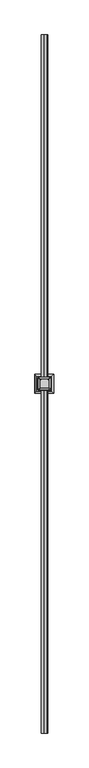
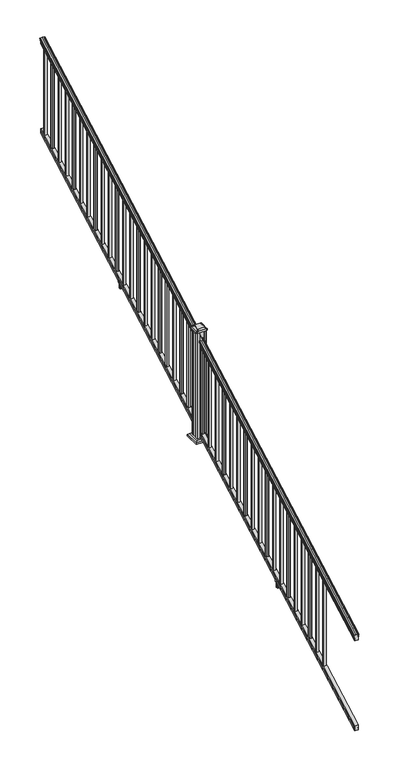
"""IFC4 building model written with IfcOpenShell, lengths in millimetres: railing geometry."""

from ifc_helpers import new_model, si_unit, point, frame, frame_2d, origin, place, context, project, spatial, polyline, circle_curve, ellipse_curve, trimmed, segment, composite_curve, outline, extrude, faceted_brep, source, transform, mapped, element, save
from ifc_brep_helpers import plane_surface, cylinder_surface, revolved_surface, extruded_surface, advanced_brep


def railing_59e865df(model_context):
    return source(origin(), model_context, "Body", "SolidModel", [
        advanced_brep(
        [(11110.7614371, 1778.9805319, 1111.1933), (11113.3352659, 1778.9805319, 1111.1933), (11113.3352659, 1778.9805319, 1099.0017677), (11112.3192659, 1778.9805319, 1097.8395054), (11112.3192659, 1778.9805319, 1083.7333333), (11144.0692659, 1778.9805319, 1083.7333333), (11144.0692659, 1778.9805319, 1098.0200397), (11143.0532659, 1778.9805319, 1099.182302), (11143.0532659, 1778.9805319, 1111.1933), (11145.6270946, 1778.9805319, 1111.1933), (11145.6270946, 1778.9805319, 1113.3531886), (11146.7572809, 1778.9805319, 1115.140347), (11146.7572809, 1778.9805319, 1123.3974153), (11146.1080245, 1778.9805319, 1126.1811654), (11148.6080245, 1778.9805319, 1131.1346527), (11150.017367, 1778.9805319, 1133.0560334), (11150.419266, 1778.9805319, 1134.3198045), (11150.4192659, 1778.9805319, 1135.8530343), (11148.8658186, 1778.9805319, 1137.6301141), (11128.1942659, 1778.9805319, 1137.6301141), (11107.5227131, 1778.9805319, 1137.6301141), (11105.9692659, 1778.9805319, 1135.8530343), (11105.9692659, 1778.9805319, 1134.3198045), (11106.3711648, 1778.9805319, 1133.0560334), (11107.7805072, 1778.9805319, 1131.1346527), (11110.2805072, 1778.9805319, 1126.1811654), (11109.6312508, 1778.9805319, 1123.3974153), (11109.6312508, 1778.9805319, 1115.140347), (11110.7614371, 1778.9805319, 1113.3531886), (11110.7614371, 6655.7805319, 3820.5266334), (11110.7614371, 6655.7805319, 3822.6865219), (11109.6312508, 6655.7805319, 3824.4736803), (11109.6312508, 6655.7805319, 3832.7307486), (11110.2805072, 6655.7805319, 3835.5144987), (11107.7805072, 6655.7805319, 3840.4679861), (11106.3711648, 6655.7805319, 3842.3893668), (11105.9692658, 6655.7805319, 3843.6531378), (11105.9692659, 6655.7805319, 3845.1863676), (11107.5227131, 6655.7805319, 3846.9634474), (11128.1942659, 6655.7805319, 3846.9634474), (11148.8658186, 6655.7805319, 3846.9634474), (11150.4192659, 6655.7805319, 3845.1863676), (11150.4192659, 6655.7805319, 3843.6531378), (11150.017367, 6655.7805319, 3842.3893668), (11148.6080245, 6655.7805319, 3840.4679861), (11146.1080245, 6655.7805319, 3835.5144987), (11146.7572809, 6655.7805319, 3832.7307486), (11146.7572809, 6655.7805319, 3824.4736803), (11145.6270946, 6655.7805319, 3822.6865219), (11145.6270946, 6655.7805319, 3820.5266334), (11143.0532659, 6655.7805319, 3820.5266334), (11143.0532659, 6655.7805319, 3808.5156353), (11144.0692659, 6655.7805319, 3807.3533731), (11144.0692659, 6655.7805319, 3793.0666667), (11112.3192659, 6655.7805319, 3793.0666667), (11112.3192659, 6655.7805319, 3807.1728388), (11113.3352659, 6655.7805319, 3808.335101), (11113.3352659, 6655.7805319, 3820.5266334)],
        [
            (0, 1, ellipse_curve(frame((11112.0483515, 1778.9805319, 1111.1933), z_axis=(0.0, -1.0, 0.0), x_axis=(0.0, 0.0, -1.0)), 1.4721772, 1.2869144)),
            (1, 2),
            (2, 3),
            (3, 4),
            (4, 5),
            (5, 6),
            (6, 7),
            (7, 8),
            (8, 9, ellipse_curve(frame((11144.3401802, 1778.9805319, 1111.1933), z_axis=(0.0, -1.0, 0.0), x_axis=(0.0, 0.0, -1.0)), 1.4721772, 1.2869144)),
            (9, 10),
            (10, 11, ellipse_curve(frame((11139.3123413, 1778.9805319, 1119.9403628), z_axis=(0.0, -1.0, 0.0), x_axis=(0.0, 0.0, -1.0)), 9.7762168, 8.545951)),
            (11, 12, ellipse_curve(frame((11139.7494043, 1778.9805319, 1119.2688811), z_axis=(0.0, -1.0, 0.0), x_axis=(0.0, 0.0, -1.0)), 9.0173521, 7.882584)),
            (12, 13, ellipse_curve(frame((11150.2627284, 1778.9805319, 1125.9582895), z_axis=(0.0, 1.0, 0.0), x_axis=(0.0, 0.0, 1.0)), 4.7580334, 4.1592695)),
            (13, 14, ellipse_curve(frame((11151.550035, 1778.9805319, 1125.8892329), z_axis=(0.0, 1.0, 0.0), x_axis=(0.0, 0.0, 1.0)), 6.2322774, 5.4479907)),
            (14, 15, ellipse_curve(frame((11150.3168765, 1778.9805319, 1131.1314345), z_axis=(0.0, 1.0, 0.0), x_axis=(0.0, 0.0, 1.0)), 1.9548591, 1.7088543)),
            (15, 16, ellipse_curve(frame((11148.6999764, 1778.9805319, 1134.3198045), z_axis=(0.0, -1.0, 0.0), x_axis=(0.0, 0.0, -1.0)), 1.9667965, 1.7192895)),
            (16, 17),
            (17, 18, ellipse_curve(frame((11148.8658186, 1778.9805319, 1135.8530343), z_axis=(0.0, -1.0, 0.0), x_axis=(0.0, 0.0, -1.0)), 1.7770798, 1.5534472)),
            (18, 19),
            (19, 20),
            (20, 21, ellipse_curve(frame((11107.5227131, 1778.9805319, 1135.8530343), z_axis=(0.0, -1.0, 0.0), x_axis=(0.0, 0.0, -1.0)), 1.7770798, 1.5534472)),
            (21, 22),
            (22, 23, ellipse_curve(frame((11107.6885553, 1778.9805319, 1134.3198045), z_axis=(0.0, -1.0, 0.0), x_axis=(0.0, 0.0, -1.0)), 1.9667965, 1.7192895)),
            (23, 24, ellipse_curve(frame((11106.0716552, 1778.9805319, 1131.1314345), z_axis=(0.0, 1.0, 0.0), x_axis=(0.0, 0.0, 1.0)), 1.9548591, 1.7088543)),
            (24, 25, ellipse_curve(frame((11104.8384968, 1778.9805319, 1125.8892329), z_axis=(0.0, 1.0, 0.0), x_axis=(0.0, 0.0, 1.0)), 6.2322774, 5.4479907)),
            (25, 26, ellipse_curve(frame((11106.1258033, 1778.9805319, 1125.9582895), z_axis=(0.0, 1.0, 0.0), x_axis=(0.0, 0.0, 1.0)), 4.7580334, 4.1592695)),
            (26, 27, ellipse_curve(frame((11116.6391275, 1778.9805319, 1119.2688811), z_axis=(0.0, -1.0, 0.0), x_axis=(0.0, 0.0, -1.0)), 9.0173521, 7.882584)),
            (27, 28, ellipse_curve(frame((11117.0761904, 1778.9805319, 1119.9403628), z_axis=(0.0, -1.0, 0.0), x_axis=(0.0, 0.0, -1.0)), 9.7762168, 8.545951)),
            (28, 0),
            (29, 30),
            (30, 31, ellipse_curve(frame((11117.0761904, 6655.7805319, 3829.2736961), z_axis=(0.0, 1.0, 0.0), x_axis=(0.0, 0.0, -1.0)), 9.7762168, 8.545951)),
            (31, 32, ellipse_curve(frame((11116.6391275, 6655.7805319, 3828.6022145), z_axis=(0.0, 1.0, 0.0), x_axis=(0.0, 0.0, -1.0)), 9.0173521, 7.882584)),
            (32, 33, ellipse_curve(frame((11106.1258033, 6655.7805319, 3835.2916228), z_axis=(0.0, -1.0, 0.0), x_axis=(0.0, 0.0, 1.0)), 4.7580334, 4.1592695)),
            (33, 34, ellipse_curve(frame((11104.8384968, 6655.7805319, 3835.2225663), z_axis=(0.0, -1.0, 0.0), x_axis=(0.0, 0.0, 1.0)), 6.2322774, 5.4479907)),
            (34, 35, ellipse_curve(frame((11106.0716552, 6655.7805319, 3840.4647678), z_axis=(0.0, -1.0, 0.0), x_axis=(0.0, 0.0, 1.0)), 1.9548591, 1.7088543)),
            (35, 36, ellipse_curve(frame((11107.6885553, 6655.7805319, 3843.6531378), z_axis=(0.0, 1.0, 0.0), x_axis=(0.0, 0.0, -1.0)), 1.9667965, 1.7192895)),
            (36, 37),
            (37, 38, ellipse_curve(frame((11107.5227131, 6655.7805319, 3845.1863676), z_axis=(0.0, 1.0, 0.0), x_axis=(0.0, 0.0, -1.0)), 1.7770798, 1.5534472)),
            (38, 39),
            (39, 40),
            (40, 41, ellipse_curve(frame((11148.8658186, 6655.7805319, 3845.1863676), z_axis=(0.0, 1.0, 0.0), x_axis=(0.0, 0.0, -1.0)), 1.7770798, 1.5534472)),
            (41, 42),
            (42, 43, ellipse_curve(frame((11148.6999764, 6655.7805319, 3843.6531378), z_axis=(0.0, 1.0, 0.0), x_axis=(0.0, 0.0, -1.0)), 1.9667965, 1.7192895)),
            (43, 44, ellipse_curve(frame((11150.3168765, 6655.7805319, 3840.4647678), z_axis=(0.0, -1.0, 0.0), x_axis=(0.0, 0.0, 1.0)), 1.9548591, 1.7088543)),
            (44, 45, ellipse_curve(frame((11151.550035, 6655.7805319, 3835.2225663), z_axis=(0.0, -1.0, 0.0), x_axis=(0.0, 0.0, 1.0)), 6.2322774, 5.4479907)),
            (45, 46, ellipse_curve(frame((11150.2627284, 6655.7805319, 3835.2916228), z_axis=(0.0, -1.0, 0.0), x_axis=(0.0, 0.0, 1.0)), 4.7580334, 4.1592695)),
            (46, 47, ellipse_curve(frame((11139.7494043, 6655.7805319, 3828.6022145), z_axis=(0.0, 1.0, 0.0), x_axis=(0.0, 0.0, -1.0)), 9.0173521, 7.882584)),
            (47, 48, ellipse_curve(frame((11139.3123413, 6655.7805319, 3829.2736961), z_axis=(0.0, 1.0, 0.0), x_axis=(0.0, 0.0, -1.0)), 9.7762168, 8.545951)),
            (48, 49),
            (49, 50, ellipse_curve(frame((11144.3401802, 6655.7805319, 3820.5266334), z_axis=(0.0, 1.0, 0.0), x_axis=(0.0, 0.0, -1.0)), 1.4721772, 1.2869144)),
            (50, 51),
            (51, 52),
            (52, 53),
            (53, 54),
            (54, 55),
            (55, 56),
            (56, 57),
            (57, 29, ellipse_curve(frame((11112.0483515, 6655.7805319, 3820.5266334), z_axis=(0.0, 1.0, 0.0), x_axis=(0.0, 0.0, -1.0)), 1.4721772, 1.2869144)),
            (0, 29),
            (57, 1),
            (56, 2),
            (55, 3),
            (54, 4),
            (53, 5),
            (52, 6),
            (51, 7),
            (50, 8),
            (49, 9),
            (48, 10),
            (47, 11),
            (46, 12),
            (45, 13),
            (44, 14),
            (43, 15),
            (42, 16),
            (41, 17),
            (40, 18),
            (39, 19),
            (38, 20),
            (37, 21),
            (36, 22),
            (35, 23),
            (34, 24),
            (33, 25),
            (32, 26),
            (31, 27),
            (30, 28),
        ],
        [
            plane_surface(frame((11128.1942659, 1778.9805319, 1083.7333333), z_axis=(0.0, -1.0, 0.0), x_axis=(0.0, 0.0, 1.0))),
            plane_surface(frame((11128.1942659, 6655.7805319, 3793.0666667), z_axis=(0.0, 1.0, 0.0), x_axis=(0.0, 0.0, 1.0))),
            cylinder_surface(frame((11112.0483515, 1767.3229989, 1104.7168928), z_axis=(0.0, -0.87415727612157, -0.4856429311785741), x_axis=(1.0, 0.0, 0.0)), 1.2869144),
            plane_surface(frame((11113.3352659, 1778.9805319, 1111.1933), z_axis=(-1.0, 0.0, 0.0), x_axis=(0.0, 0.87415727612157, 0.4856429311785741))),
            plane_surface(frame((11113.3352659, 1778.9805319, 1099.0017677), z_axis=(-0.7071067811865401, -0.3434014098716843, 0.6181225377691306), x_axis=(0.0, 0.87415727612157, 0.4856429311785741))),
            plane_surface(frame((11112.3192659, 1778.9805319, 1097.8395054), z_axis=(-1.0, 0.0, 0.0), x_axis=(0.0, 0.87415727612157, 0.4856429311785741))),
            plane_surface(frame((11112.3192659, 1778.9805319, 1083.7333333), z_axis=(0.0, 0.4856429311785741, -0.87415727612157), x_axis=(0.0, 0.87415727612157, 0.4856429311785741))),
            plane_surface(frame((11144.0692659, 1778.9805319, 1083.7333333), z_axis=(1.0, 0.0, 0.0), x_axis=(0.0, 0.87415727612157, 0.4856429311785741))),
            plane_surface(frame((11144.0692659, 1778.9805319, 1098.0200397), z_axis=(0.7071067811865427, -0.34340140987168505, 0.6181225377691273), x_axis=(0.0, 0.87415727612157, 0.4856429311785742))),
            plane_surface(frame((11143.0532659, 1778.9805319, 1099.182302), z_axis=(1.0000000000000002, 0.0, 0.0), x_axis=(0.0, 0.87415727612157, 0.4856429311785743))),
            cylinder_surface(frame((11144.3401802, 1767.3229989, 1104.7168928), z_axis=(0.0, -0.87415727612157, -0.4856429311785741), x_axis=(-1.0, 0.0, 0.0)), 1.2869144),
            plane_surface(frame((11145.6270946, 1778.9805319, 1111.1933), z_axis=(1.0, 0.0, 0.0), x_axis=(0.0, 0.87415727612157, 0.4856429311785741))),
            cylinder_surface(frame((11139.3123413, 1763.6096232, 1111.4009691), z_axis=(0.0, -0.87415727612157, -0.4856429311785741), x_axis=(-1.0, 0.0, 0.0)), 8.545951),
            cylinder_surface(frame((11139.7494043, 1763.8946861, 1110.8878557), z_axis=(0.0, -0.87415727612157, -0.4856429311785741), x_axis=(-1.0, 0.0, 0.0)), 7.882584),
            revolved_surface(polyline([(11146.1034589, 6657.80045174452, 3836.4138004798638), (11146.1034589, 1776.9606120792462, 1124.8361117773575)]), (11150.2627284, 1761.054843, 1115.9995734), (0.0, 0.87415727612157, 0.4856429311785741)),
            revolved_surface(polyline([(11146.1020443, 6658.42631004169, 3836.692443044958), (11146.1020443, 1776.3347537301895, 1124.4193562056596)]), (11151.550035, 1761.0841594, 1115.9468038), (0.0, 0.87415727612157, 0.4856429311785741)),
            revolved_surface(polyline([(11148.608022199998, 6656.610424923765, 3840.925819457222), (11148.608022199998, 1778.1506389094347, 1130.6703827830177)]), (11150.3168765, 1758.8586965, 1119.952637), (0.0, 0.87415727612157, 0.4856429311785741)),
            cylinder_surface(frame((11148.6999764, 1757.5051432, 1122.389033), z_axis=(0.0, -0.87415727612157, -0.4856429311785741), x_axis=(-1.0, 0.0, 0.0)), 1.7192895),
            plane_surface(frame((11150.4192659, 1778.9805319, 1134.3198045), z_axis=(1.0, 0.0, 0.0), x_axis=(0.0, 0.87415727612157, 0.4856429311785742))),
            cylinder_surface(frame((11148.8658186, 1756.8542438, 1123.560652), z_axis=(0.0, -0.87415727612157, -0.4856429311785741), x_axis=(-1.0, 0.0, 0.0)), 1.5534472),
            plane_surface(frame((11148.8658186, 1778.9805319, 1137.6301141), z_axis=(0.0, -0.4856429311785741, 0.87415727612157), x_axis=(0.0, 0.87415727612157, 0.4856429311785741))),
            plane_surface(frame((11128.1942659, 1778.9805319, 1137.6301141), z_axis=(0.0, -0.4856429311785741, 0.87415727612157), x_axis=(0.0, 0.87415727612157, 0.4856429311785741))),
            cylinder_surface(frame((11107.5227131, 1756.8542438, 1123.560652), z_axis=(0.0, -0.87415727612157, -0.4856429311785741), x_axis=(1.0, 0.0, 0.0)), 1.5534472),
            plane_surface(frame((11105.9692659, 1778.9805319, 1135.8530343), z_axis=(-1.0, 0.0, 0.0), x_axis=(0.0, 0.87415727612157, 0.4856429311785742))),
            cylinder_surface(frame((11107.6885553, 1757.5051432, 1122.389033), z_axis=(0.0, -0.87415727612157, -0.4856429311785741), x_axis=(1.0, 0.0, 0.0)), 1.7192895),
            revolved_surface(polyline([(11107.7805095, 6656.610424923765, 3840.925819457222), (11107.7805095, 1778.1506389094347, 1130.6703827830177)]), (11106.0716552, 1758.8586965, 1119.952637), (0.0, 0.87415727612157, 0.4856429311785741)),
            revolved_surface(polyline([(11110.2864875, 6658.42631004169, 3836.692443044958), (11110.2864875, 1776.3347537301895, 1124.4193562056596)]), (11104.8384968, 1761.0841594, 1115.9468038), (0.0, 0.87415727612157, 0.4856429311785741)),
            revolved_surface(polyline([(11110.2850728, 6657.80045174452, 3836.4138004798638), (11110.2850728, 1776.9606120792462, 1124.8361117773575)]), (11106.1258033, 1761.054843, 1115.9995734), (0.0, 0.87415727612157, 0.4856429311785741)),
            cylinder_surface(frame((11116.6391275, 1763.8946861, 1110.8878557), z_axis=(0.0, -0.87415727612157, -0.4856429311785741), x_axis=(1.0, 0.0, 0.0)), 7.882584),
            cylinder_surface(frame((11117.0761904, 1763.6096232, 1111.4009691), z_axis=(0.0, -0.87415727612157, -0.4856429311785741), x_axis=(1.0, 0.0, 0.0)), 8.545951),
            plane_surface(frame((11110.7614371, 1778.9805319, 1113.3531886), z_axis=(-1.0, 0.0, 0.0), x_axis=(0.0, 0.87415727612157, 0.4856429311785741))),
        ],
        [
            (0, [[1, 2, 3, 4, 5, 6, 7, 8, 9, 10, 11, 12, 13, 14, 15, 16, 17, 18, 19, 20, 21, 22, 23, 24, 25, 26, 27, 28, 29]]),
            (1, [[30, 31, 32, 33, 34, 35, 36, 37, 38, 39, 40, 41, 42, 43, 44, 45, 46, 47, 48, 49, 50, 51, 52, 53, 54, 55, 56, 57, 58]]),
            (2, [[-1, 59, -58, 60]]),
            (3, [[-2, -60, -57, 61]]),
            (4, [[-3, -61, -56, 62]]),
            (5, [[-4, -62, -55, 63]]),
            (6, [[-5, -63, -54, 64]]),
            (7, [[-6, -64, -53, 65]]),
            (8, [[-7, -65, -52, 66]]),
            (9, [[-8, -66, -51, 67]]),
            (10, [[-9, -67, -50, 68]]),
            (11, [[-10, -68, -49, 69]]),
            (12, [[-11, -69, -48, 70]]),
            (13, [[-12, -70, -47, 71]]),
            (14, [[-13, -71, -46, 72]]),
            (15, [[-14, -72, -45, 73]]),
            (16, [[-15, -73, -44, 74]]),
            (17, [[-16, -74, -43, 75]]),
            (18, [[-17, -75, -42, 76]]),
            (19, [[-18, -76, -41, 77]]),
            (20, [[-19, -77, -40, 78]]),
            (21, [[-20, -78, -39, 79]]),
            (22, [[-21, -79, -38, 80]]),
            (23, [[-22, -80, -37, 81]]),
            (24, [[-23, -81, -36, 82]]),
            (25, [[-24, -82, -35, 83]]),
            (26, [[-25, -83, -34, 84]]),
            (27, [[-26, -84, -33, 85]]),
            (28, [[-27, -85, -32, 86]]),
            (29, [[-28, -86, -31, 87]]),
            (30, [[-29, -87, -30, -59]]),
        ],
    ),
        faceted_brep([(11112.281779, 1778.9805319, 247.1948195), (11112.281779, 1778.9805319, 232.8333333), (11144.031779, 1778.9805319, 232.8333333), (11144.031779, 1778.9805319, 247.1757762), (11143.015779, 1778.9805319, 248.7181503), (11143.015779, 1778.9805319, 260.5143074), (11144.031779, 1778.9805319, 262.0566814), (11144.031779, 1778.9805319, 276.4134523), (11112.281779, 1778.9805319, 276.4134523), (11112.281779, 1778.9805319, 262.0757247), (11113.297779, 1778.9805319, 260.5333506), (11113.297779, 1778.9805319, 248.6824473), (11112.281779, 6655.7805319, 2956.5281528), (11113.297779, 6655.7805319, 2958.0157807), (11113.297779, 6655.7805319, 2969.8666839), (11112.281779, 6655.7805319, 2971.409058), (11112.281779, 6655.7805319, 2985.7467856), (11144.031779, 6655.7805319, 2985.7467856), (11144.031779, 6655.7805319, 2971.3900148), (11143.015779, 6655.7805319, 2969.8476407), (11143.015779, 6655.7805319, 2958.0514837), (11144.031779, 6655.7805319, 2956.5091096), (11144.031779, 6655.7805319, 2942.1666667), (11112.281779, 6655.7805319, 2942.1666667)], [[[0, 1, 2, 3, 4, 5, 6, 7, 8, 9, 10, 11]], [[12, 13, 14, 15, 16, 17, 18, 19, 20, 21, 22, 23]], [[1, 0, 12, 23]], [[2, 1, 23, 22]], [[3, 2, 22, 21]], [[4, 3, 21, 20]], [[5, 4, 20, 19]], [[6, 5, 19, 18]], [[7, 6, 18, 17]], [[8, 7, 17, 16]], [[9, 8, 16, 15]], [[10, 9, 15, 14]], [[11, 10, 14, 13]], [[0, 11, 13, 12]]]),
        extrude(outline(polyline([(11118.6692659, 6599.0115319), (11118.6692659, 6618.0615319), (11137.7192659, 6618.0615319), (11137.7192659, 6599.0115319), (11118.6692659, 6599.0115319)]), holes=[polyline([(11119.0661409, 6599.4084069), (11137.3223909, 6599.4084069), (11137.3223909, 6617.6646569), (11119.0661409, 6617.6646569), (11119.0661409, 6599.4084069)])]), frame((0.0, 0.0, 2954.0158781), z_axis=(0.0, 0.0, 1.0), x_axis=(1.0, 0.0, 0.0)), (0.0, 0.0, 1.0), 812.8041219),
        extrude(outline(polyline([(11118.6692659, 6487.7595319), (11118.6692659, 6506.8095319), (11137.7192659, 6506.8095319), (11137.7192659, 6487.7595319), (11118.6692659, 6487.7595319)]), holes=[polyline([(11119.0661409, 6488.1564069), (11137.3223909, 6488.1564069), (11137.3223909, 6506.4126569), (11119.0661409, 6506.4126569), (11119.0661409, 6488.1564069)])]), frame((0.0, 0.0, 2892.2092114), z_axis=(0.0, 0.0, 1.0), x_axis=(1.0, 0.0, 0.0)), (0.0, 0.0, 1.0), 812.8041219),
        extrude(outline(polyline([(11118.6692659, 6376.5075319), (11118.6692659, 6395.5575319), (11137.7192659, 6395.5575319), (11137.7192659, 6376.5075319), (11118.6692659, 6376.5075319)]), holes=[polyline([(11119.0661409, 6376.9044069), (11137.3223909, 6376.9044069), (11137.3223909, 6395.1606569), (11119.0661409, 6395.1606569), (11119.0661409, 6376.9044069)])]), frame((0.0, 0.0, 2830.4025447), z_axis=(0.0, 0.0, 1.0), x_axis=(1.0, 0.0, 0.0)), (0.0, 0.0, 1.0), 812.8041219),
        extrude(outline(polyline([(11118.6692659, 6265.2555319), (11118.6692659, 6284.3055319), (11137.7192659, 6284.3055319), (11137.7192659, 6265.2555319), (11118.6692659, 6265.2555319)]), holes=[polyline([(11119.0661409, 6265.6524069), (11137.3223909, 6265.6524069), (11137.3223909, 6283.9086569), (11119.0661409, 6283.9086569), (11119.0661409, 6265.6524069)])]), frame((0.0, 0.0, 2768.5958781), z_axis=(0.0, 0.0, 1.0), x_axis=(1.0, 0.0, 0.0)), (0.0, 0.0, 1.0), 812.8041219),
        extrude(outline(polyline([(11118.6692659, 6154.0035319), (11118.6692659, 6173.0535319), (11137.7192659, 6173.0535319), (11137.7192659, 6154.0035319), (11118.6692659, 6154.0035319)]), holes=[polyline([(11119.0661409, 6154.4004069), (11137.3223909, 6154.4004069), (11137.3223909, 6172.6566569), (11119.0661409, 6172.6566569), (11119.0661409, 6154.4004069)])]), frame((0.0, 0.0, 2706.7892114), z_axis=(0.0, 0.0, 1.0), x_axis=(1.0, 0.0, 0.0)), (0.0, 0.0, 1.0), 812.8041219),
        extrude(outline(polyline([(11118.6692659, 6042.7515319), (11118.6692659, 6061.8015319), (11137.7192659, 6061.8015319), (11137.7192659, 6042.7515319), (11118.6692659, 6042.7515319)]), holes=[polyline([(11119.0661409, 6043.1484069), (11137.3223909, 6043.1484069), (11137.3223909, 6061.4046569), (11119.0661409, 6061.4046569), (11119.0661409, 6043.1484069)])]), frame((0.0, 0.0, 2644.9825447), z_axis=(0.0, 0.0, 1.0), x_axis=(1.0, 0.0, 0.0)), (0.0, 0.0, 1.0), 812.8041219),
        extrude(outline(polyline([(11118.6692659, 5931.4995319), (11118.6692659, 5950.5495319), (11137.7192659, 5950.5495319), (11137.7192659, 5931.4995319), (11118.6692659, 5931.4995319)]), holes=[polyline([(11119.0661409, 5931.8964069), (11137.3223909, 5931.8964069), (11137.3223909, 5950.1526569), (11119.0661409, 5950.1526569), (11119.0661409, 5931.8964069)])]), frame((0.0, 0.0, 2583.1758781), z_axis=(0.0, 0.0, 1.0), x_axis=(1.0, 0.0, 0.0)), (0.0, 0.0, 1.0), 812.8041219),
        extrude(outline(polyline([(11118.6692659, 5820.2475319), (11118.6692659, 5839.2975319), (11137.7192659, 5839.2975319), (11137.7192659, 5820.2475319), (11118.6692659, 5820.2475319)]), holes=[polyline([(11119.0661409, 5820.6444069), (11137.3223909, 5820.6444069), (11137.3223909, 5838.9006569), (11119.0661409, 5838.9006569), (11119.0661409, 5820.6444069)])]), frame((0.0, 0.0, 2521.3692114), z_axis=(0.0, 0.0, 1.0), x_axis=(1.0, 0.0, 0.0)), (0.0, 0.0, 1.0), 812.8041219),
        extrude(outline(polyline([(11118.6692659, 5708.9955319), (11118.6692659, 5728.0455319), (11137.7192659, 5728.0455319), (11137.7192659, 5708.9955319), (11118.6692659, 5708.9955319)]), holes=[polyline([(11119.0661409, 5709.3924069), (11137.3223909, 5709.3924069), (11137.3223909, 5727.6486569), (11119.0661409, 5727.6486569), (11119.0661409, 5709.3924069)])]), frame((0.0, 0.0, 2459.5625447), z_axis=(0.0, 0.0, 1.0), x_axis=(1.0, 0.0, 0.0)), (0.0, 0.0, 1.0), 812.8041219),
        extrude(outline(polyline([(11118.6692659, 5597.7435319), (11118.6692659, 5616.7935319), (11137.7192659, 5616.7935319), (11137.7192659, 5597.7435319), (11118.6692659, 5597.7435319)]), holes=[polyline([(11119.0661409, 5598.1404069), (11137.3223909, 5598.1404069), (11137.3223909, 5616.3966569), (11119.0661409, 5616.3966569), (11119.0661409, 5598.1404069)])]), frame((0.0, 0.0, 2397.7558781), z_axis=(0.0, 0.0, 1.0), x_axis=(1.0, 0.0, 0.0)), (0.0, 0.0, 1.0), 812.8041219),
        extrude(outline(polyline([(11118.6692659, 5486.4915319), (11118.6692659, 5505.5415319), (11137.7192659, 5505.5415319), (11137.7192659, 5486.4915319), (11118.6692659, 5486.4915319)]), holes=[polyline([(11119.0661409, 5486.8884069), (11137.3223909, 5486.8884069), (11137.3223909, 5505.1446569), (11119.0661409, 5505.1446569), (11119.0661409, 5486.8884069)])]), frame((0.0, 0.0, 2335.9492114), z_axis=(0.0, 0.0, 1.0), x_axis=(1.0, 0.0, 0.0)), (0.0, 0.0, 1.0), 812.8041219),
        extrude(outline(polyline([(2290.0537313, 11146.3552647), (2290.0537313, 11144.3232651), (2289.0377286, 11143.3072653), (2278.6019414, 11143.3072653), (2277.5859407, 11144.3232651), (2265.5953344, 11144.3232651), (2264.8333352, 11143.561266), (2264.8333352, 11112.8272648), (2265.5953344, 11112.0652657), (2277.5859407, 11112.0652657), (2278.6019414, 11113.0812655), (2289.0377286, 11113.0812655), (2290.0537313, 11112.0652657), (2290.0537313, 11110.0332661), (2289.2917302, 11109.2712651), (2262.8013357, 11109.2712651), (2262.0393346, 11110.0332661), (2262.0393346, 11120.0662651), (2261.2773345, 11120.8282652), (2202.0953344, 11120.8282652), (2201.3333333, 11121.5902663), (2201.3333333, 11134.7982655), (2202.0953334, 11135.5602656), (2261.2773345, 11135.5602656), (2262.0393346, 11136.3222657), (2262.0393346, 11146.3552647), (2262.8013357, 11147.1172657), (2289.2917302, 11147.1172657), (2290.0537313, 11146.3552647)]), holes=[polyline([(2262.0393346, 11124.7652655), (2262.0393346, 11131.6232653), (2261.2773345, 11132.3852654), (2205.2703336, 11132.3852654), (2204.5083364, 11131.6232682), (2204.5083364, 11124.7652655), (2205.2703365, 11124.0032654), (2261.2773345, 11124.0032654), (2262.0393346, 11124.7652655)])]), frame((0.0, 5433.0245319, 0.0), z_axis=(0.0, 1.0, 0.0), x_axis=(0.0, 0.0, 1.0)), (0.0, 0.0, 1.0), 14.732),
        extrude(outline(polyline([(11118.6692659, 5375.2395319), (11118.6692659, 5394.2895319), (11137.7192659, 5394.2895319), (11137.7192659, 5375.2395319), (11118.6692659, 5375.2395319)]), holes=[polyline([(11119.0661409, 5375.6364069), (11137.3223909, 5375.6364069), (11137.3223909, 5393.8926569), (11119.0661409, 5393.8926569), (11119.0661409, 5375.6364069)])]), frame((0.0, 0.0, 2274.1425447), z_axis=(0.0, 0.0, 1.0), x_axis=(1.0, 0.0, 0.0)), (0.0, 0.0, 1.0), 812.8041219),
        extrude(outline(polyline([(11118.6692659, 5263.9875319), (11118.6692659, 5283.0375319), (11137.7192659, 5283.0375319), (11137.7192659, 5263.9875319), (11118.6692659, 5263.9875319)]), holes=[polyline([(11119.0661409, 5264.3844069), (11137.3223909, 5264.3844069), (11137.3223909, 5282.6406569), (11119.0661409, 5282.6406569), (11119.0661409, 5264.3844069)])]), frame((0.0, 0.0, 2212.3358781), z_axis=(0.0, 0.0, 1.0), x_axis=(1.0, 0.0, 0.0)), (0.0, 0.0, 1.0), 812.8041219),
        extrude(outline(polyline([(11118.6692659, 5152.7355319), (11118.6692659, 5171.7855319), (11137.7192659, 5171.7855319), (11137.7192659, 5152.7355319), (11118.6692659, 5152.7355319)]), holes=[polyline([(11119.0661409, 5153.1324069), (11137.3223909, 5153.1324069), (11137.3223909, 5171.3886569), (11119.0661409, 5171.3886569), (11119.0661409, 5153.1324069)])]), frame((0.0, 0.0, 2150.5292114), z_axis=(0.0, 0.0, 1.0), x_axis=(1.0, 0.0, 0.0)), (0.0, 0.0, 1.0), 812.8041219),
        extrude(outline(polyline([(11118.6692659, 5041.4835319), (11118.6692659, 5060.5335319), (11137.7192659, 5060.5335319), (11137.7192659, 5041.4835319), (11118.6692659, 5041.4835319)]), holes=[polyline([(11119.0661409, 5041.8804069), (11137.3223909, 5041.8804069), (11137.3223909, 5060.1366569), (11119.0661409, 5060.1366569), (11119.0661409, 5041.8804069)])]), frame((0.0, 0.0, 2088.7225447), z_axis=(0.0, 0.0, 1.0), x_axis=(1.0, 0.0, 0.0)), (0.0, 0.0, 1.0), 812.8041219),
        extrude(outline(polyline([(11118.6692659, 4930.2315319), (11118.6692659, 4949.2815319), (11137.7192659, 4949.2815319), (11137.7192659, 4930.2315319), (11118.6692659, 4930.2315319)]), holes=[polyline([(11119.0661409, 4930.6284069), (11137.3223909, 4930.6284069), (11137.3223909, 4948.8846569), (11119.0661409, 4948.8846569), (11119.0661409, 4930.6284069)])]), frame((0.0, 0.0, 2026.9158781), z_axis=(0.0, 0.0, 1.0), x_axis=(1.0, 0.0, 0.0)), (0.0, 0.0, 1.0), 812.8041219),
        extrude(outline(polyline([(11118.6692659, 4818.9795319), (11118.6692659, 4838.0295319), (11137.7192659, 4838.0295319), (11137.7192659, 4818.9795319), (11118.6692659, 4818.9795319)]), holes=[polyline([(11119.0661409, 4819.3764069), (11137.3223909, 4819.3764069), (11137.3223909, 4837.6326569), (11119.0661409, 4837.6326569), (11119.0661409, 4819.3764069)])]), frame((0.0, 0.0, 1965.1092114), z_axis=(0.0, 0.0, 1.0), x_axis=(1.0, 0.0, 0.0)), (0.0, 0.0, 1.0), 812.8041219),
        extrude(outline(polyline([(11118.6692659, 4707.7275319), (11118.6692659, 4726.7775319), (11137.7192659, 4726.7775319), (11137.7192659, 4707.7275319), (11118.6692659, 4707.7275319)]), holes=[polyline([(11119.0661409, 4708.1244069), (11137.3223909, 4708.1244069), (11137.3223909, 4726.3806569), (11119.0661409, 4726.3806569), (11119.0661409, 4708.1244069)])]), frame((0.0, 0.0, 1903.3025447), z_axis=(0.0, 0.0, 1.0), x_axis=(1.0, 0.0, 0.0)), (0.0, 0.0, 1.0), 812.8041219),
        extrude(outline(polyline([(11118.6692659, 4596.4755319), (11118.6692659, 4615.5255319), (11137.7192659, 4615.5255319), (11137.7192659, 4596.4755319), (11118.6692659, 4596.4755319)]), holes=[polyline([(11119.0661409, 4596.8724069), (11137.3223909, 4596.8724069), (11137.3223909, 4615.1286569), (11119.0661409, 4615.1286569), (11119.0661409, 4596.8724069)])]), frame((0.0, 0.0, 1841.4958781), z_axis=(0.0, 0.0, 1.0), x_axis=(1.0, 0.0, 0.0)), (0.0, 0.0, 1.0), 812.8041219),
        extrude(outline(polyline([(11118.6692659, 4485.2235319), (11118.6692659, 4504.2735319), (11137.7192659, 4504.2735319), (11137.7192659, 4485.2235319), (11118.6692659, 4485.2235319)]), holes=[polyline([(11119.0661409, 4485.6204069), (11137.3223909, 4485.6204069), (11137.3223909, 4503.8766569), (11119.0661409, 4503.8766569), (11119.0661409, 4485.6204069)])]), frame((0.0, 0.0, 1779.6892114), z_axis=(0.0, 0.0, 1.0), x_axis=(1.0, 0.0, 0.0)), (0.0, 0.0, 1.0), 812.8041219),
        extrude(outline(polyline([(11118.6692659, 4373.9715319), (11118.6692659, 4393.0215319), (11137.7192659, 4393.0215319), (11137.7192659, 4373.9715319), (11118.6692659, 4373.9715319)]), holes=[polyline([(11119.0661409, 4374.3684069), (11137.3223909, 4374.3684069), (11137.3223909, 4392.6246569), (11119.0661409, 4392.6246569), (11119.0661409, 4374.3684069)])]), frame((0.0, 0.0, 1717.8825447), z_axis=(0.0, 0.0, 1.0), x_axis=(1.0, 0.0, 0.0)), (0.0, 0.0, 1.0), 812.8041219),
        extrude(outline(polyline([(11118.6692659, 4262.7195319), (11118.6692659, 4281.7695319), (11137.7192659, 4281.7695319), (11137.7192659, 4262.7195319), (11118.6692659, 4262.7195319)]), holes=[polyline([(11119.0661409, 4263.1164069), (11137.3223909, 4263.1164069), (11137.3223909, 4281.3726569), (11119.0661409, 4281.3726569), (11119.0661409, 4263.1164069)])]), frame((0.0, 0.0, 1656.0758781), z_axis=(0.0, 0.0, 1.0), x_axis=(1.0, 0.0, 0.0)), (0.0, 0.0, 1.0), 812.8041219),
        faceted_brep([(11075.6083284, 4167.3345944, 1552.575), (11180.7802034, 4167.3345944, 1552.575), (11180.7802034, 4272.5064694, 1552.575), (11075.6083284, 4272.5064694, 1552.575), (11061.5688753, 4153.2951413, 1539.24), (11061.5688753, 4286.5459225, 1539.24), (11194.8196565, 4286.5459225, 1539.24), (11194.8196565, 4153.2951413, 1539.24)], [[[0, 1, 2, 3]], [[4, 5, 6, 7]], [[4, 7, 1, 0]], [[7, 6, 2, 1]], [[6, 5, 3, 2]], [[5, 4, 0, 3]]]),
        extrude(outline(polyline([(11061.5688753, 4153.2951413), (11061.5688753, 4286.5459225), (11194.8196565, 4286.5459225), (11194.8196565, 4153.2951413), (11061.5688753, 4153.2951413)])), frame((0.0, 0.0, 1524.0), z_axis=(0.0, 0.0, 1.0), x_axis=(1.0, 0.0, 0.0)), (0.0, 0.0, 1.0), 15.24),
        advanced_brep(
        [(11153.9911409, 4190.9486569, 2585.3503741), (11157.1661409, 4194.1236569, 2585.3503741), (11157.1661409, 4245.7174069, 2585.3503741), (11153.9911409, 4248.8924069, 2585.3503741), (11102.3973909, 4248.8924069, 2585.3503741), (11099.2223909, 4245.7174069, 2585.3503741), (11099.2223909, 4194.1236569, 2585.3503741), (11102.3973909, 4190.9486569, 2585.3503741), (11170.2630159, 4174.6767819, 2574.0473741), (11086.1255159, 4174.6767819, 2574.0473741), (11082.9505159, 4177.8517819, 2574.0473741), (11082.9505159, 4261.9892819, 2574.0473741), (11086.1255159, 4265.1642819, 2574.0473741), (11170.2630159, 4265.1642819, 2574.0473741), (11173.4380159, 4261.9892819, 2574.0473741), (11173.4380159, 4177.8517819, 2574.0473741)],
        [
            (0, 1, circle_curve(frame((11153.9911409, 4194.1236569, 2585.3503741), z_axis=(0.0, 0.0, 1.0), x_axis=(0.0, 1.0, 0.0)), 3.175)),
            (1, 2),
            (2, 3, circle_curve(frame((11153.9911409, 4245.7174069, 2585.3503741), z_axis=(0.0, 0.0, 1.0), x_axis=(0.0, 1.0, 0.0)), 3.175)),
            (3, 4),
            (4, 5, circle_curve(frame((11102.3973909, 4245.7174069, 2585.3503741), z_axis=(0.0, 0.0, 1.0), x_axis=(0.0, 1.0, 0.0)), 3.175)),
            (5, 6),
            (6, 7, circle_curve(frame((11102.3973909, 4194.1236569, 2585.3503741), z_axis=(0.0, 0.0, 1.0), x_axis=(0.0, 1.0, 0.0)), 3.175)),
            (7, 0),
            (8, 9),
            (9, 10, circle_curve(frame((11086.1255159, 4177.8517819, 2574.0473741), z_axis=(0.0, 0.0, -1.0), x_axis=(0.0, 1.0, 0.0)), 3.175)),
            (10, 11),
            (11, 12, circle_curve(frame((11086.1255159, 4261.9892819, 2574.0473741), z_axis=(0.0, 0.0, -1.0), x_axis=(0.0, 1.0, 0.0)), 3.175)),
            (12, 13),
            (13, 14, circle_curve(frame((11170.2630159, 4261.9892819, 2574.0473741), z_axis=(0.0, 0.0, -1.0), x_axis=(0.0, 1.0, 0.0)), 3.175)),
            (14, 15),
            (15, 8, circle_curve(frame((11170.2630159, 4177.8517819, 2574.0473741), z_axis=(0.0, 0.0, -1.0), x_axis=(0.0, 1.0, 0.0)), 3.175)),
            (15, 1),
            (0, 8),
            (14, 2),
            (13, 3),
            (12, 4),
            (11, 5),
            (10, 6),
            (9, 7),
        ],
        [
            plane_surface(frame((11128.1942659, 4219.9205319, 2585.3503741), z_axis=(0.0, 0.0, 1.0), x_axis=(1.0, 0.0, 0.0))),
            plane_surface(frame((11128.1942659, 4219.9205319, 2574.0473741), z_axis=(0.0, 0.0, -1.0), x_axis=(1.0, 0.0, 0.0))),
            extruded_surface(trimmed(circle_curve(frame((11170.2630159, 4177.8517819, 2574.0473741), z_axis=(0.0, 0.0, 1.0), x_axis=(0.0, 1.0, 0.0)), 3.175), [point((11170.2630159, 4174.6767819, 2574.0473741))], [point((11173.4380159, 4177.8517819, 2574.0473741))], True, "CARTESIAN"), (-16.271875000000364, 16.271875000000364, 11.302999999999884), 25.63797263886657),
            plane_surface(frame((11173.4380159, 4219.9205319, 2574.0473741), z_axis=(0.5705009161540779, 0.0, 0.8212969649690408), x_axis=(0.0, 1.0, 0.0))),
            extruded_surface(trimmed(circle_curve(frame((11170.2630159, 4261.9892819, 2574.0473741), z_axis=(0.0, 0.0, 1.0), x_axis=(0.0, 1.0, 0.0)), 3.175), [point((11173.4380159, 4261.9892819, 2574.0473741))], [point((11170.2630159, 4265.1642819, 2574.0473741))], True, "CARTESIAN"), (-16.271875000000364, -16.271874999999454, 11.302999999999884), 25.637972638865996),
            plane_surface(frame((11128.1942659, 4265.1642819, 2574.0473741), z_axis=(0.0, 0.5705009161540291, 0.8212969649690747), x_axis=(-1.0, 0.0, 0.0))),
            extruded_surface(trimmed(circle_curve(frame((11086.1255159, 4261.9892819, 2574.0473741), z_axis=(0.0, 0.0, 1.0), x_axis=(0.0, 1.0, 0.0)), 3.175), [point((11086.1255159, 4265.1642819, 2574.0473741))], [point((11082.9505159, 4261.9892819, 2574.0473741))], True, "CARTESIAN"), (16.271875000000364, -16.271874999999454, 11.302999999999884), 25.637972638865996),
            plane_surface(frame((11082.9505159, 4219.9205319, 2574.0473741), z_axis=(-0.5705009161540141, 0.0, 0.8212969649690851), x_axis=(0.0, -1.0, 0.0))),
            extruded_surface(trimmed(circle_curve(frame((11086.1255159, 4177.8517819, 2574.0473741), z_axis=(0.0, 0.0, 1.0), x_axis=(0.0, 1.0, 0.0)), 3.175), [point((11082.9505159, 4177.8517819, 2574.0473741))], [point((11086.1255159, 4174.6767819, 2574.0473741))], True, "CARTESIAN"), (16.271875000000364, 16.271875000000364, 11.302999999999884), 25.63797263886657),
            plane_surface(frame((11128.1942659, 4174.6767819, 2574.0473741), z_axis=(0.0, -0.570500916154034, 0.8212969649690713), x_axis=(1.0, 0.0, 0.0))),
        ],
        [
            (0, [[1, 2, 3, 4, 5, 6, 7, 8]]),
            (1, [[9, 10, 11, 12, 13, 14, 15, 16]]),
            (2, [[-16, 17, -1, 18]]),
            (3, [[-15, 19, -2, -17]]),
            (4, [[-14, 20, -3, -19]]),
            (5, [[-13, 21, -4, -20]]),
            (6, [[-12, 22, -5, -21]]),
            (7, [[-11, 23, -6, -22]]),
            (8, [[-10, 24, -7, -23]]),
            (9, [[-9, -18, -8, -24]]),
        ],
    ),
        extrude(outline(composite_curve([segment(polyline([(11170.2630159, 4174.6767819), (11086.1255159, 4174.6767819)]), True, "CONTINUOUS"), segment(trimmed(circle_curve(frame_2d((11086.1255159, 4177.8517819)), 3.175), [point((11086.1255159, 4174.6767819))], [point((11082.9505159, 4177.8517819))], False, "CARTESIAN"), True, "CONTINUOUS"), segment(polyline([(11082.9505159, 4177.8517819), (11082.9505159, 4261.9892819)]), True, "CONTINUOUS"), segment(trimmed(circle_curve(frame_2d((11086.1255159, 4261.9892819)), 3.175), [point((11082.9505159, 4261.9892819))], [point((11086.1255159, 4265.1642819))], False, "CARTESIAN"), True, "CONTINUOUS"), segment(polyline([(11086.1255159, 4265.1642819), (11170.2630159, 4265.1642819)]), True, "CONTINUOUS"), segment(trimmed(circle_curve(frame_2d((11170.2630159, 4261.9892819)), 3.175), [point((11170.2630159, 4265.1642819))], [point((11173.4380159, 4261.9892819))], False, "CARTESIAN"), True, "CONTINUOUS"), segment(polyline([(11173.4380159, 4261.9892819), (11173.4380159, 4177.8517819)]), True, "CONTINUOUS"), segment(trimmed(circle_curve(frame_2d((11170.2630159, 4177.8517819)), 3.175), [point((11173.4380159, 4177.8517819))], [point((11170.2630159, 4174.6767819))], False, "CARTESIAN"), True, "CONTINUOUS")], self_intersect=False)), frame((0.0, 0.0, 2556.7753741), z_axis=(0.0, 0.0, 1.0), x_axis=(1.0, 0.0, 0.0)), (0.0, 0.0, 1.0), 17.272),
        extrude(outline(polyline([(11167.8817659, 4178.6455319), (11148.2602659, 4178.6455319), (11147.4982659, 4180.2330319), (11108.8902659, 4180.2330319), (11108.1282659, 4178.6455319), (11088.5067659, 4178.6455319), (11086.9192659, 4180.2330319), (11086.9192659, 4199.8545319), (11088.5067659, 4200.6165319), (11088.5067659, 4239.2245319), (11086.9192659, 4239.9865319), (11086.9192659, 4259.6080319), (11088.5067659, 4261.1955319), (11108.1282659, 4261.1955319), (11108.8902659, 4259.6080319), (11147.4982659, 4259.6080319), (11148.2602659, 4261.1955319), (11167.8817659, 4261.1955319), (11169.4692659, 4259.6080319), (11169.4692659, 4239.9865319), (11167.8817659, 4239.2245319), (11167.8817659, 4200.6165319), (11169.4692659, 4199.8545319), (11169.4692659, 4180.2330319), (11167.8817659, 4178.6455319)])), frame((0.0, 0.0, 1524.0), z_axis=(0.0, 0.0, 1.0), x_axis=(1.0, 0.0, 0.0)), (0.0, 0.0, 1.0), 1032.7753741),
        extrude(outline(polyline([(11118.6692659, 4158.0715319), (11118.6692659, 4177.1215319), (11137.7192659, 4177.1215319), (11137.7192659, 4158.0715319), (11118.6692659, 4158.0715319)]), holes=[polyline([(11119.0661409, 4158.4684069), (11137.3223909, 4158.4684069), (11137.3223909, 4176.7246569), (11119.0661409, 4176.7246569), (11119.0661409, 4158.4684069)])]), frame((0.0, 0.0, 1597.9381003), z_axis=(0.0, 0.0, 1.0), x_axis=(1.0, 0.0, 0.0)), (0.0, 0.0, 1.0), 812.8041219),
        extrude(outline(polyline([(11118.6692659, 4046.8195319), (11118.6692659, 4065.8695319), (11137.7192659, 4065.8695319), (11137.7192659, 4046.8195319), (11118.6692659, 4046.8195319)]), holes=[polyline([(11119.0661409, 4047.2164069), (11137.3223909, 4047.2164069), (11137.3223909, 4065.4726569), (11119.0661409, 4065.4726569), (11119.0661409, 4047.2164069)])]), frame((0.0, 0.0, 1536.1314336), z_axis=(0.0, 0.0, 1.0), x_axis=(1.0, 0.0, 0.0)), (0.0, 0.0, 1.0), 812.8041219),
        extrude(outline(polyline([(11118.6692659, 3935.5675319), (11118.6692659, 3954.6175319), (11137.7192659, 3954.6175319), (11137.7192659, 3935.5675319), (11118.6692659, 3935.5675319)]), holes=[polyline([(11119.0661409, 3935.9644069), (11137.3223909, 3935.9644069), (11137.3223909, 3954.2206569), (11119.0661409, 3954.2206569), (11119.0661409, 3935.9644069)])]), frame((0.0, 0.0, 1474.324767), z_axis=(0.0, 0.0, 1.0), x_axis=(1.0, 0.0, 0.0)), (0.0, 0.0, 1.0), 812.8041219),
        extrude(outline(polyline([(11118.6692659, 3824.3155319), (11118.6692659, 3843.3655319), (11137.7192659, 3843.3655319), (11137.7192659, 3824.3155319), (11118.6692659, 3824.3155319)]), holes=[polyline([(11119.0661409, 3824.7124069), (11137.3223909, 3824.7124069), (11137.3223909, 3842.9686569), (11119.0661409, 3842.9686569), (11119.0661409, 3824.7124069)])]), frame((0.0, 0.0, 1412.5181003), z_axis=(0.0, 0.0, 1.0), x_axis=(1.0, 0.0, 0.0)), (0.0, 0.0, 1.0), 812.8041219),
        extrude(outline(polyline([(11118.6692659, 3713.0635319), (11118.6692659, 3732.1135319), (11137.7192659, 3732.1135319), (11137.7192659, 3713.0635319), (11118.6692659, 3713.0635319)]), holes=[polyline([(11119.0661409, 3713.4604069), (11137.3223909, 3713.4604069), (11137.3223909, 3731.7166569), (11119.0661409, 3731.7166569), (11119.0661409, 3713.4604069)])]), frame((0.0, 0.0, 1350.7114336), z_axis=(0.0, 0.0, 1.0), x_axis=(1.0, 0.0, 0.0)), (0.0, 0.0, 1.0), 812.8041219),
        extrude(outline(polyline([(11118.6692659, 3601.8115319), (11118.6692659, 3620.8615319), (11137.7192659, 3620.8615319), (11137.7192659, 3601.8115319), (11118.6692659, 3601.8115319)]), holes=[polyline([(11119.0661409, 3602.2084069), (11137.3223909, 3602.2084069), (11137.3223909, 3620.4646569), (11119.0661409, 3620.4646569), (11119.0661409, 3602.2084069)])]), frame((0.0, 0.0, 1288.904767), z_axis=(0.0, 0.0, 1.0), x_axis=(1.0, 0.0, 0.0)), (0.0, 0.0, 1.0), 812.8041219),
        extrude(outline(polyline([(11118.6692659, 3490.5595319), (11118.6692659, 3509.6095319), (11137.7192659, 3509.6095319), (11137.7192659, 3490.5595319), (11118.6692659, 3490.5595319)]), holes=[polyline([(11119.0661409, 3490.9564069), (11137.3223909, 3490.9564069), (11137.3223909, 3509.2126569), (11119.0661409, 3509.2126569), (11119.0661409, 3490.9564069)])]), frame((0.0, 0.0, 1227.0981003), z_axis=(0.0, 0.0, 1.0), x_axis=(1.0, 0.0, 0.0)), (0.0, 0.0, 1.0), 812.8041219),
        extrude(outline(polyline([(11118.6692659, 3379.3075319), (11118.6692659, 3398.3575319), (11137.7192659, 3398.3575319), (11137.7192659, 3379.3075319), (11118.6692659, 3379.3075319)]), holes=[polyline([(11119.0661409, 3379.7044069), (11137.3223909, 3379.7044069), (11137.3223909, 3397.9606569), (11119.0661409, 3397.9606569), (11119.0661409, 3379.7044069)])]), frame((0.0, 0.0, 1165.2914336), z_axis=(0.0, 0.0, 1.0), x_axis=(1.0, 0.0, 0.0)), (0.0, 0.0, 1.0), 812.8041219),
        extrude(outline(polyline([(11118.6692659, 3268.0555319), (11118.6692659, 3287.1055319), (11137.7192659, 3287.1055319), (11137.7192659, 3268.0555319), (11118.6692659, 3268.0555319)]), holes=[polyline([(11119.0661409, 3268.4524069), (11137.3223909, 3268.4524069), (11137.3223909, 3286.7086569), (11119.0661409, 3286.7086569), (11119.0661409, 3268.4524069)])]), frame((0.0, 0.0, 1103.484767), z_axis=(0.0, 0.0, 1.0), x_axis=(1.0, 0.0, 0.0)), (0.0, 0.0, 1.0), 812.8041219),
        extrude(outline(polyline([(11118.6692659, 3156.8035319), (11118.6692659, 3175.8535319), (11137.7192659, 3175.8535319), (11137.7192659, 3156.8035319), (11118.6692659, 3156.8035319)]), holes=[polyline([(11119.0661409, 3157.2004069), (11137.3223909, 3157.2004069), (11137.3223909, 3175.4566569), (11119.0661409, 3175.4566569), (11119.0661409, 3157.2004069)])]), frame((0.0, 0.0, 1041.6781003), z_axis=(0.0, 0.0, 1.0), x_axis=(1.0, 0.0, 0.0)), (0.0, 0.0, 1.0), 812.8041219),
        extrude(outline(polyline([(11118.6692659, 3045.5515319), (11118.6692659, 3064.6015319), (11137.7192659, 3064.6015319), (11137.7192659, 3045.5515319), (11118.6692659, 3045.5515319)]), holes=[polyline([(11119.0661409, 3045.9484069), (11137.3223909, 3045.9484069), (11137.3223909, 3064.2046569), (11119.0661409, 3064.2046569), (11119.0661409, 3045.9484069)])]), frame((0.0, 0.0, 979.8714336), z_axis=(0.0, 0.0, 1.0), x_axis=(1.0, 0.0, 0.0)), (0.0, 0.0, 1.0), 812.8041219),
        extrude(outline(polyline([(935.3870646, 11146.3552647), (935.3870646, 11144.3232651), (934.371062, 11143.3072653), (923.9352748, 11143.3072653), (922.919274, 11144.3232651), (910.9286677, 11144.3232651), (910.1666686, 11143.561266), (910.1666686, 11112.8272648), (910.9286677, 11112.0652657), (922.919274, 11112.0652657), (923.9352748, 11113.0812655), (934.371062, 11113.0812655), (935.3870646, 11112.0652657), (935.3870646, 11110.0332661), (934.6250636, 11109.2712651), (908.134669, 11109.2712651), (907.3726679, 11110.0332661), (907.3726679, 11120.0662651), (906.6106679, 11120.8282652), (847.4286677, 11120.8282652), (846.6666667, 11121.5902663), (846.6666667, 11134.7982655), (847.4286668, 11135.5602656), (906.6106679, 11135.5602656), (907.3726679, 11136.3222657), (907.3726679, 11146.3552647), (908.134669, 11147.1172657), (934.6250636, 11147.1172657), (935.3870646, 11146.3552647)]), holes=[polyline([(907.3726679, 11124.7652655), (907.3726679, 11131.6232653), (906.6106679, 11132.3852654), (850.6036669, 11132.3852654), (849.8416697, 11131.6232682), (849.8416697, 11124.7652655), (850.6036698, 11124.0032654), (906.6106679, 11124.0032654), (907.3726679, 11124.7652655)])]), frame((0.0, 2992.0845319, 0.0), z_axis=(0.0, 1.0, 0.0), x_axis=(0.0, 0.0, 1.0)), (0.0, 0.0, 1.0), 14.732),
        extrude(outline(polyline([(11118.6692659, 2934.2995319), (11118.6692659, 2953.3495319), (11137.7192659, 2953.3495319), (11137.7192659, 2934.2995319), (11118.6692659, 2934.2995319)]), holes=[polyline([(11119.0661409, 2934.6964069), (11137.3223909, 2934.6964069), (11137.3223909, 2952.9526569), (11119.0661409, 2952.9526569), (11119.0661409, 2934.6964069)])]), frame((0.0, 0.0, 918.064767), z_axis=(0.0, 0.0, 1.0), x_axis=(1.0, 0.0, 0.0)), (0.0, 0.0, 1.0), 812.8041219),
        extrude(outline(polyline([(11118.6692659, 2823.0475319), (11118.6692659, 2842.0975319), (11137.7192659, 2842.0975319), (11137.7192659, 2823.0475319), (11118.6692659, 2823.0475319)]), holes=[polyline([(11119.0661409, 2823.4444069), (11137.3223909, 2823.4444069), (11137.3223909, 2841.7006569), (11119.0661409, 2841.7006569), (11119.0661409, 2823.4444069)])]), frame((0.0, 0.0, 856.2581003), z_axis=(0.0, 0.0, 1.0), x_axis=(1.0, 0.0, 0.0)), (0.0, 0.0, 1.0), 812.8041219),
        extrude(outline(polyline([(11118.6692659, 2711.7955319), (11118.6692659, 2730.8455319), (11137.7192659, 2730.8455319), (11137.7192659, 2711.7955319), (11118.6692659, 2711.7955319)]), holes=[polyline([(11119.0661409, 2712.1924069), (11137.3223909, 2712.1924069), (11137.3223909, 2730.4486569), (11119.0661409, 2730.4486569), (11119.0661409, 2712.1924069)])]), frame((0.0, 0.0, 794.4514336), z_axis=(0.0, 0.0, 1.0), x_axis=(1.0, 0.0, 0.0)), (0.0, 0.0, 1.0), 812.8041219),
        extrude(outline(polyline([(11118.6692659, 2600.5435319), (11118.6692659, 2619.5935319), (11137.7192659, 2619.5935319), (11137.7192659, 2600.5435319), (11118.6692659, 2600.5435319)]), holes=[polyline([(11119.0661409, 2600.9404069), (11137.3223909, 2600.9404069), (11137.3223909, 2619.1966569), (11119.0661409, 2619.1966569), (11119.0661409, 2600.9404069)])]), frame((0.0, 0.0, 732.644767), z_axis=(0.0, 0.0, 1.0), x_axis=(1.0, 0.0, 0.0)), (0.0, 0.0, 1.0), 812.8041219),
        extrude(outline(polyline([(11118.6692659, 2489.2915319), (11118.6692659, 2508.3415319), (11137.7192659, 2508.3415319), (11137.7192659, 2489.2915319), (11118.6692659, 2489.2915319)]), holes=[polyline([(11119.0661409, 2489.6884069), (11137.3223909, 2489.6884069), (11137.3223909, 2507.9446569), (11119.0661409, 2507.9446569), (11119.0661409, 2489.6884069)])]), frame((0.0, 0.0, 670.8381003), z_axis=(0.0, 0.0, 1.0), x_axis=(1.0, 0.0, 0.0)), (0.0, 0.0, 1.0), 812.8041219),
        extrude(outline(polyline([(11118.6692659, 2378.0395319), (11118.6692659, 2397.0895319), (11137.7192659, 2397.0895319), (11137.7192659, 2378.0395319), (11118.6692659, 2378.0395319)]), holes=[polyline([(11119.0661409, 2378.4364069), (11137.3223909, 2378.4364069), (11137.3223909, 2396.6926569), (11119.0661409, 2396.6926569), (11119.0661409, 2378.4364069)])]), frame((0.0, 0.0, 609.0314336), z_axis=(0.0, 0.0, 1.0), x_axis=(1.0, 0.0, 0.0)), (0.0, 0.0, 1.0), 812.8041219),
        extrude(outline(polyline([(11118.6692659, 2266.7875319), (11118.6692659, 2285.8375319), (11137.7192659, 2285.8375319), (11137.7192659, 2266.7875319), (11118.6692659, 2266.7875319)]), holes=[polyline([(11119.0661409, 2267.1844069), (11137.3223909, 2267.1844069), (11137.3223909, 2285.4406569), (11119.0661409, 2285.4406569), (11119.0661409, 2267.1844069)])]), frame((0.0, 0.0, 547.224767), z_axis=(0.0, 0.0, 1.0), x_axis=(1.0, 0.0, 0.0)), (0.0, 0.0, 1.0), 812.8041219),
    ])


if __name__ == "__main__":
    model = new_model("IFC4")
    model_context = context("Model", 3, world=origin())
    ifc_project = project(units=[si_unit("LENGTHUNIT", "METRE", prefix="MILLI")], contexts=[model_context])
    site = spatial("IfcSite", under=ifc_project)
    building = spatial("IfcBuilding", under=site)
    placement = place(None, origin())
    railing_shape = railing_59e865df(model_context)
    element("IfcRailing", 1, at=placement, inside=building, context=model_context, shape_type="MappedRepresentation", body=[
        mapped(railing_shape, transform((0.0, 0.0, 0.0), x_axis=(1.0, 0.0, 0.0), y_axis=(0.0, 1.0, 0.0), z_axis=(0.0, 0.0, 1.0))),
    ])
    save(model, "model.ifc")
